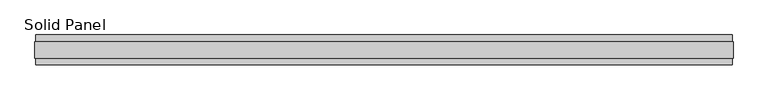
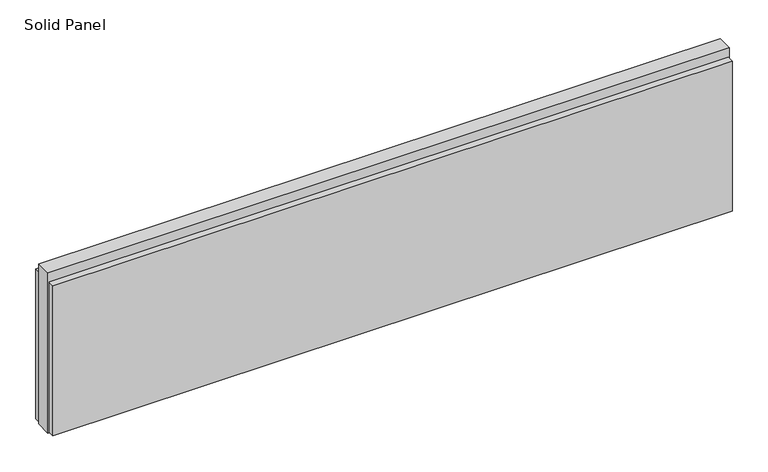
"""IFC4 building model written with IfcOpenShell, lengths in millimetres: plate geometry, Solid Panel."""

import ifcopenshell
import ifcopenshell.guid

model = None  # the IFC model being written
_history = None  # IfcOwnerHistory: only IFC2X3 demands one
_inside = {}  # id of a spatial element -> (the spatial element, [elements in it])
_under = {}  # id of a project, library or spatial element -> (it, [spatial elements below it])
_declared = {}  # id of a project -> (the project, [libraries it declares])
_typed = {}  # id of a type object -> (the type object, [elements of that type])
_made_of = {}  # id of a material, layer set ... -> (it, [elements and type objects made of it])


def new_model(schema):
    """Start an empty IFC model of exactly this schema.

    Asked for "IFC4X3", IfcOpenShell would pick the latest addendum, in which some entities
    have other attributes; the version numbers below select the first issue.
    IFC2X3 requires an IfcOwnerHistory on every rooted entity: one is made here for all.
    """
    global model, _history
    if schema == "IFC4X3":
        model = ifcopenshell.file(schema_version=(4, 3, 0, 0))
    else:
        model = ifcopenshell.file(schema=schema)
    _inside.clear()
    _under.clear()
    _declared.clear()
    _typed.clear()
    _made_of.clear()
    _history = None
    if model.schema == "IFC2X3":
        org = make("IfcOrganization", Name="unknown")
        user = make(
            "IfcPersonAndOrganization",
            ThePerson=make("IfcPerson", FamilyName="unknown"),
            TheOrganization=org,
        )
        app = make(
            "IfcApplication",
            ApplicationDeveloper=org,
            Version="unknown",
            ApplicationFullName="unknown",
            ApplicationIdentifier="unknown",
        )
        _history = make(
            "IfcOwnerHistory",
            OwningUser=user,
            OwningApplication=app,
            ChangeAction="ADDED",
            CreationDate=0,
        )
    return model


def make(cls, **values):
    """One entity of the class cls with the attributes given. An attribute that is None is left unset."""
    return model.create_entity(
        cls, **{name: value for name, value in values.items() if value is not None}
    )


def rooted(cls, **values):
    """An entity with a GlobalId (a new one), such as an element, a storey or a relation."""
    return make(cls, GlobalId=ifcopenshell.guid.new(), OwnerHistory=_history, **values)


def si_unit(unit_type, name, prefix=None):
    """IfcSIUnit, for example si_unit("LENGTHUNIT", "METRE", prefix="MILLI")."""
    return make("IfcSIUnit", UnitType=unit_type, Prefix=prefix, Name=name)


def assignment(units):
    """IfcUnitAssignment: the units of a project."""
    return None if units is None else make("IfcUnitAssignment", Units=units)


def point(xyz):
    """IfcCartesianPoint."""
    return None if xyz is None else make("IfcCartesianPoint", Coordinates=xyz)


def direction(xyz):
    """IfcDirection."""
    return None if xyz is None else make("IfcDirection", DirectionRatios=xyz)


def frame(location, z_axis=None, x_axis=None):
    """IfcAxis2Placement3D, a coordinate frame: its origin and axes. An axis left out is left unset."""
    return make(
        "IfcAxis2Placement3D",
        Location=point(location),
        Axis=direction(z_axis),
        RefDirection=direction(x_axis),
    )


def origin():
    """The frame at (0, 0, 0) with its axes left unset."""
    return frame((0.0, 0.0, 0.0))


def origin_with_axes():
    """The frame at (0, 0, 0) with the z axis (0, 0, 1) and the x axis (1, 0, 0) written out."""
    return frame((0.0, 0.0, 0.0), z_axis=(0.0, 0.0, 1.0), x_axis=(1.0, 0.0, 0.0))


def place(relative_to, where):
    """IfcLocalPlacement: puts the frame where relative to a parent placement (None: the world)."""
    return make(
        "IfcLocalPlacement", PlacementRelTo=relative_to, RelativePlacement=where
    )


def context(
    kind, dimensions, precision=None, world=None, true_north=None, identifier=None
):
    """IfcGeometricRepresentationContext, for example the 3D "Model" context."""
    return make(
        "IfcGeometricRepresentationContext",
        ContextIdentifier=identifier,
        ContextType=kind,
        CoordinateSpaceDimension=dimensions,
        Precision=precision,
        WorldCoordinateSystem=world,
        TrueNorth=true_north,
    )


def project(units=None, contexts=None):
    """IfcProject with its units and contexts."""
    return rooted(
        "IfcProject",
        Name="project",
        RepresentationContexts=contexts,
        UnitsInContext=assignment(units),
    )


def spatial(cls, under=None, at=None, **own):
    """A site, building, storey or space (cls), placed at a placement, below another one or the project."""
    s = rooted(cls, ObjectPlacement=at, **own)
    if under is not None:
        _under.setdefault(under.id(), (under, []))[1].append(s)
    return s


def polyline(points):
    """IfcPolyline through the points."""
    return make("IfcPolyline", Points=[point(p) for p in points])


def outline(outer, holes=None, kind="AREA"):
    """IfcArbitraryClosedProfileDef: a profile drawn as a closed curve; with holes, ...WithVoids."""
    if holes is None:
        return make("IfcArbitraryClosedProfileDef", ProfileType=kind, OuterCurve=outer)
    return make(
        "IfcArbitraryProfileDefWithVoids",
        ProfileType=kind,
        OuterCurve=outer,
        InnerCurves=holes,
    )


def extrude(swept, where, along, depth):
    """IfcExtrudedAreaSolid: the profile swept, set in the frame where, extruded along a direction by depth."""
    return make(
        "IfcExtrudedAreaSolid",
        SweptArea=swept,
        Position=where,
        ExtrudedDirection=direction(along),
        Depth=depth,
    )


def shape(context_of_items, identifier, shape_type, items):
    """IfcShapeRepresentation: the items that make up one representation, for example the "Body"."""
    return make(
        "IfcShapeRepresentation",
        ContextOfItems=context_of_items,
        RepresentationIdentifier=identifier,
        RepresentationType=shape_type,
        Items=items,
    )


def source(mapping_origin, context_of_items, identifier, shape_type, items):
    """IfcRepresentationMap: a shape defined once, which mapped items show again and again."""
    return make(
        "IfcRepresentationMap",
        MappingOrigin=mapping_origin,
        MappedRepresentation=shape(context_of_items, identifier, shape_type, items),
    )


def transform(
    local_origin,
    x_axis=None,
    y_axis=None,
    z_axis=None,
    scale=None,
    scale2=None,
    scale3=None,
    uniform=True,
):
    """IfcCartesianTransformationOperator3D, or its non-uniform kind. x_axis, y_axis, z_axis: its Axis1, 2, 3."""
    if uniform:
        return make(
            "IfcCartesianTransformationOperator3D",
            Axis1=direction(x_axis),
            Axis2=direction(y_axis),
            LocalOrigin=point(local_origin),
            Scale=scale,
            Axis3=direction(z_axis),
        )
    return make(
        "IfcCartesianTransformationOperator3DnonUniform",
        Axis1=direction(x_axis),
        Axis2=direction(y_axis),
        LocalOrigin=point(local_origin),
        Scale=scale,
        Axis3=direction(z_axis),
        Scale2=scale2,
        Scale3=scale3,
    )


def mapped(mapping_source, mapping_target):
    """IfcMappedItem: shows the shape of a source again, moved by a transform."""
    return make(
        "IfcMappedItem", MappingSource=mapping_source, MappingTarget=mapping_target
    )


def made_of(thing, what):
    """Note that an element or type object is made of a material, layer set ...; save() writes the relation."""
    if what is not None:
        _made_of.setdefault(what.id(), (what, []))[1].append(thing)
    return thing


def element(
    cls,
    number,
    at=None,
    inside=None,
    cuts=None,
    type_object=None,
    material=None,
    context=None,
    identifier="Body",
    shape_type=None,
    held_by="IfcProductDefinitionShape",
    body=None,
    shapes=None,
    **own,
):
    """One element of the class cls, such as IfcWall. Its Tag is "e" and its number.

    at: its placement. inside: the storey or other place that contains it. cuts: it is an
    opening in that element (IfcRelVoidsElement). A single representation is given by context,
    identifier, shape_type and body (its items); several are given by shapes. held_by: the class
    of the entity that holds the representations. save() writes the other relations.
    """
    e = rooted(cls, Tag="e%d" % number, ObjectPlacement=at, **own)
    if body is not None:
        shapes = [shape(context, identifier, shape_type, body)]
    if shapes is not None:
        e.Representation = make(held_by, Representations=shapes)
    if inside is not None:
        _inside.setdefault(inside.id(), (inside, []))[1].append(e)
    if cuts is not None:
        rooted(
            "IfcRelVoidsElement", RelatingBuildingElement=cuts, RelatedOpeningElement=e
        )
    if type_object is not None:
        _typed.setdefault(type_object.id(), (type_object, []))[1].append(e)
    return made_of(e, material)


def aggregate(whole, parts):
    """IfcRelAggregates: a whole, such as a stair, and the parts it consists of."""
    return rooted("IfcRelAggregates", RelatingObject=whole, RelatedObjects=parts)


def save(model, path):
    """Write the relations noted so far, then the file.

    IfcRelAggregates (storeys below a building ...), IfcRelContainedInSpatialStructure (elements
    in a storey), IfcRelDefinesByType, IfcRelAssociatesMaterial and IfcRelDeclares: one each for
    every whole, place, type object, material and project.
    """
    for whole, parts in _under.values():
        aggregate(whole, parts)
    for where, things in _inside.values():
        rooted(
            "IfcRelContainedInSpatialStructure",
            RelatedElements=things,
            RelatingStructure=where,
        )
    for kind, things in _typed.values():
        rooted("IfcRelDefinesByType", RelatedObjects=things, RelatingType=kind)
    for what, things in _made_of.values():
        rooted("IfcRelAssociatesMaterial", RelatedObjects=things, RelatingMaterial=what)
    for by, libraries in _declared.values():
        rooted("IfcRelDeclares", RelatingContext=by, RelatedDefinitions=libraries)
    model.write(path)


def solid_panel_e69de591(model_context):
    return source(origin(), model_context, "Body", "SweptSolid", [
        extrude(outline(polyline([(1121.6926164, -48.4531867), (-1121.6926164, -48.4531867), (-1121.6926164, -25.9961), (1121.6926164, -25.9961), (1121.6926164, -48.4531867)])), frame((0.0, 0.0, 3.0099), z_axis=(0.0, 0.0, 1.0), x_axis=(1.0, 0.0, 0.0)), (0.0, 0.0, 1.0), 523.7861),
        extrude(outline(polyline([(1121.6926164, 25.9977), (-1121.6926164, 25.9977), (-1121.6926164, 48.4547867), (1121.6926164, 48.4547867), (1121.6926164, 25.9977)])), frame((0.0, 0.0, 3.0099), z_axis=(0.0, 0.0, 1.0), x_axis=(1.0, 0.0, 0.0)), (0.0, 0.0, 1.0), 523.7861),
        extrude(outline(polyline([(1124.6898164, -25.9961), (-1124.6898164, -25.9961), (-1124.6898164, 25.9977), (1124.6898164, 25.9977), (1124.6898164, -25.9961)])), origin_with_axes(), (0.0, 0.0, 1.0), 558.8),
    ])


if __name__ == "__main__":
    model = new_model("IFC4")
    model_context = context("Model", 3, world=origin())
    ifc_project = project(units=[si_unit("LENGTHUNIT", "METRE", prefix="MILLI")], contexts=[model_context])
    site = spatial("IfcSite", under=ifc_project)
    building = spatial("IfcBuilding", under=site)
    placement = place(None, origin())
    solid_panel_shape = solid_panel_e69de591(model_context)
    element("IfcPlate", 1, ObjectType="Solid Panel", at=placement, inside=building, context=model_context, shape_type="MappedRepresentation", body=[
        mapped(solid_panel_shape, transform((0.0, 0.0, 0.0), x_axis=(1.0, 0.0, 0.0), y_axis=(0.0, 1.0, 0.0), z_axis=(0.0, 0.0, 1.0))),
    ])
    save(model, "model.ifc")
